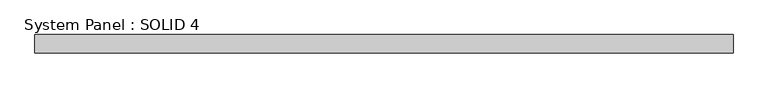
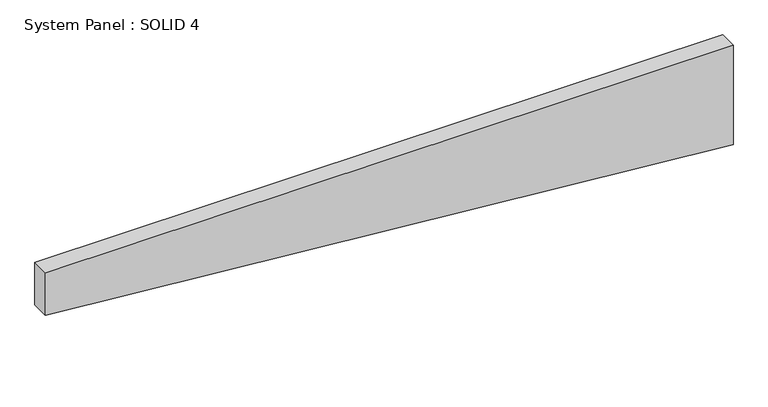
"""IFC4 building model written with IfcOpenShell, lengths in millimetres: plate geometry, System Panel : SOLID 4."""

from ifc_helpers import new_model, si_unit, frame, origin, place, context, project, spatial, polyline, outline, extrude, source, transform, mapped, element, save


def system_panel_solid_4_b70f3a29(model_context):
    return source(origin(), model_context, "Body", "SweptSolid", [
        extrude(outline(polyline([(263.7783205, -1507.5), (0.0, 1507.5), (460.7783205, 1507.5), (460.7783205, -1507.5), (263.7783205, -1507.5)])), frame((0.0, 80.0, 0.0), z_axis=(0.0, 1.0, 0.0), x_axis=(0.0, 0.0, 1.0)), (0.0, 0.0, 1.0), 80.0),
    ])


if __name__ == "__main__":
    model = new_model("IFC4")
    model_context = context("Model", 3, world=origin())
    ifc_project = project(units=[si_unit("LENGTHUNIT", "METRE", prefix="MILLI")], contexts=[model_context])
    site = spatial("IfcSite", under=ifc_project)
    building = spatial("IfcBuilding", under=site)
    placement = place(None, origin())
    system_panel_solid_4_shape = system_panel_solid_4_b70f3a29(model_context)
    element("IfcPlate", 1, ObjectType="System Panel : SOLID 4", at=placement, inside=building, context=model_context, shape_type="MappedRepresentation", body=[
        mapped(system_panel_solid_4_shape, transform((0.0, 0.0, 0.0), x_axis=(1.0, 0.0, 0.0), y_axis=(0.0, 1.0, 0.0), z_axis=(0.0, 0.0, 1.0))),
    ])
    save(model, "model.ifc")
